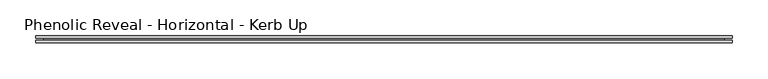
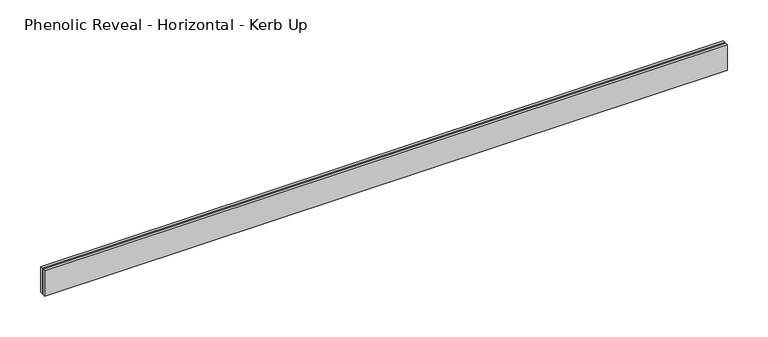
"""IFC4 building model written with IfcOpenShell, lengths in millimetres: proxy geometry, Phenolic Reveal - Horizontal - Kerb Up."""

from ifc_helpers import new_model, si_unit, origin, place, context, project, spatial, faceted_brep, source, transform, mapped, element, save


def phenolic_reveal_horizontal_kerb_up_8c7fe417(model_context):
    return source(origin(), model_context, "Body", "Brep", [
        faceted_brep([(966.7875, 9.525, 0.0), (966.7875, 9.525, 38.1), (966.7875, 6.0765851, 38.1), (966.7875, 6.0765851, 0.0), (966.7875, 3.3757545, 0.0), (966.7875, 3.3757545, 38.1), (966.7875, 0.0, 38.1), (966.7875, 0.0, 0.0), (0.0, 0.0, 0.0), (0.0, 0.0, 38.1), (0.0, 3.3757545, 38.1), (0.0, 3.3757545, 0.0), (0.0, 6.0765851, 0.0), (0.0, 6.0765851, 38.1), (0.0, 9.525, 38.1), (0.0, 9.525, 0.0), (955.675, 6.0765851, 0.0), (955.675, 3.3757545, 0.0), (11.1125, 3.3757545, 0.0), (11.1125, 6.0765851, 0.0), (955.675, 6.0765851, 26.9875), (955.675, 3.3757545, 26.9875), (11.1125, 6.0765851, 26.9875), (11.1125, 3.3757545, 26.9875)], [[[0, 1, 2, 3]], [[4, 5, 6, 7]], [[8, 9, 10, 11]], [[12, 13, 14, 15]], [[1, 0, 15, 14]], [[6, 5, 10, 9]], [[7, 6, 9, 8]], [[15, 0, 3, 16, 17, 4, 7, 8, 11, 18, 19, 12]], [[16, 20, 21, 17]], [[22, 19, 18, 23]], [[13, 2, 1, 14]], [[12, 19, 22, 20, 16, 3, 2, 13]], [[20, 22, 23, 21]], [[4, 17, 21, 23, 18, 11, 10, 5]]]),
    ])


if __name__ == "__main__":
    model = new_model("IFC4")
    model_context = context("Model", 3, world=origin())
    ifc_project = project(units=[si_unit("LENGTHUNIT", "METRE", prefix="MILLI")], contexts=[model_context])
    site = spatial("IfcSite", under=ifc_project)
    building = spatial("IfcBuilding", under=site)
    placement = place(None, origin())
    phenolic_reveal_horizontal_kerb_up_shape = phenolic_reveal_horizontal_kerb_up_8c7fe417(model_context)
    element("IfcBuildingElementProxy", 1, Name="Phenolic Reveal - Horizontal - Kerb Up", ObjectType="Phenolic Reveal - Horizontal - Kerb Up", at=placement, inside=building, context=model_context, shape_type="MappedRepresentation", body=[
        mapped(phenolic_reveal_horizontal_kerb_up_shape, transform((0.0, 0.0, 0.0), x_axis=(1.0, 0.0, 0.0), y_axis=(0.0, 1.0, 0.0), z_axis=(0.0, 0.0, 1.0))),
    ])
    save(model, "model.ifc")
